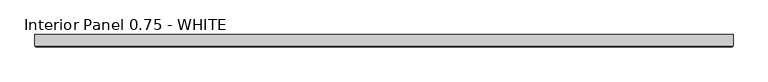
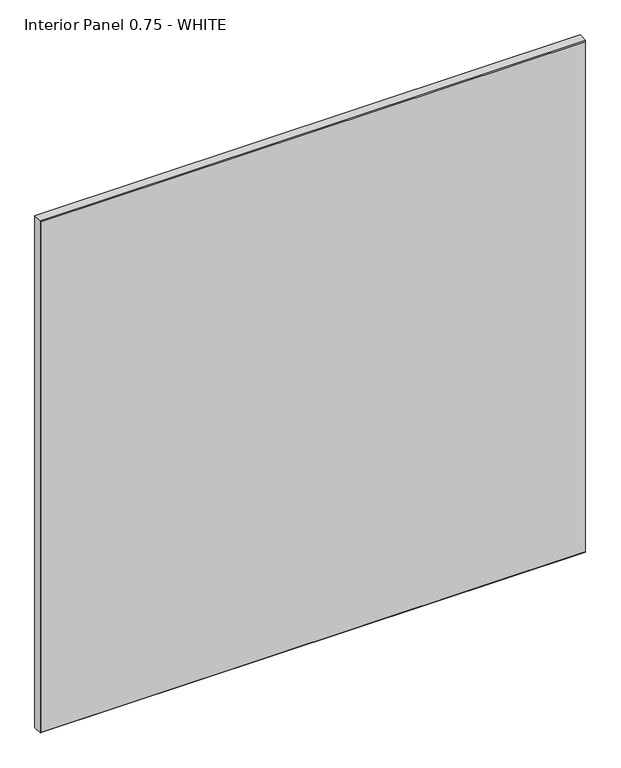
"""IFC4 building model written with IfcOpenShell, lengths in millimetres: proxy geometry, Interior Panel 0.75 - WHITE."""

from ifc_helpers import new_model, si_unit, origin, place, context, project, spatial, faceted_brep, source, transform, mapped, element, save


def interior_panel_0_75_white_d40ecfb1(model_context):
    return source(origin(), model_context, "Body", "Brep", [
        faceted_brep([(998.5375, 3.175, 1063.625), (-73.025, 3.175, 1063.625), (-73.025, -14.2875, 1063.625), (998.5375, -14.2875, 1063.625), (998.5375, 3.175, 0.0), (998.5375, -14.2875, 0.0), (-73.025, -14.2875, 0.0), (-73.025, 3.175, 0.0), (-71.4375, -15.875, 1062.0375), (-71.4375, -15.875, 1.5875), (996.95, -15.875, 1.5875), (996.95, -15.875, 1062.0375)], [[[0, 1, 2, 3]], [[4, 5, 6, 7]], [[1, 0, 4, 7]], [[2, 1, 7, 6]], [[8, 9, 10, 11]], [[0, 3, 5, 4]], [[2, 6, 9, 8]], [[5, 3, 11, 10]], [[3, 2, 8, 11]], [[6, 5, 10, 9]]]),
    ])


if __name__ == "__main__":
    model = new_model("IFC4")
    model_context = context("Model", 3, world=origin())
    ifc_project = project(units=[si_unit("LENGTHUNIT", "METRE", prefix="MILLI")], contexts=[model_context])
    site = spatial("IfcSite", under=ifc_project)
    building = spatial("IfcBuilding", under=site)
    placement = place(None, origin())
    interior_panel_0_75_white_shape = interior_panel_0_75_white_d40ecfb1(model_context)
    element("IfcBuildingElementProxy", 1, Name="Interior Panel 0.75 - WHITE", ObjectType="Interior Panel 0.75 - WHITE", at=placement, inside=building, context=model_context, shape_type="MappedRepresentation", body=[
        mapped(interior_panel_0_75_white_shape, transform((0.0, 0.0, 0.0), x_axis=(1.0, 0.0, 0.0), y_axis=(0.0, 1.0, 0.0), z_axis=(0.0, 0.0, 1.0))),
    ])
    save(model, "model.ifc")
